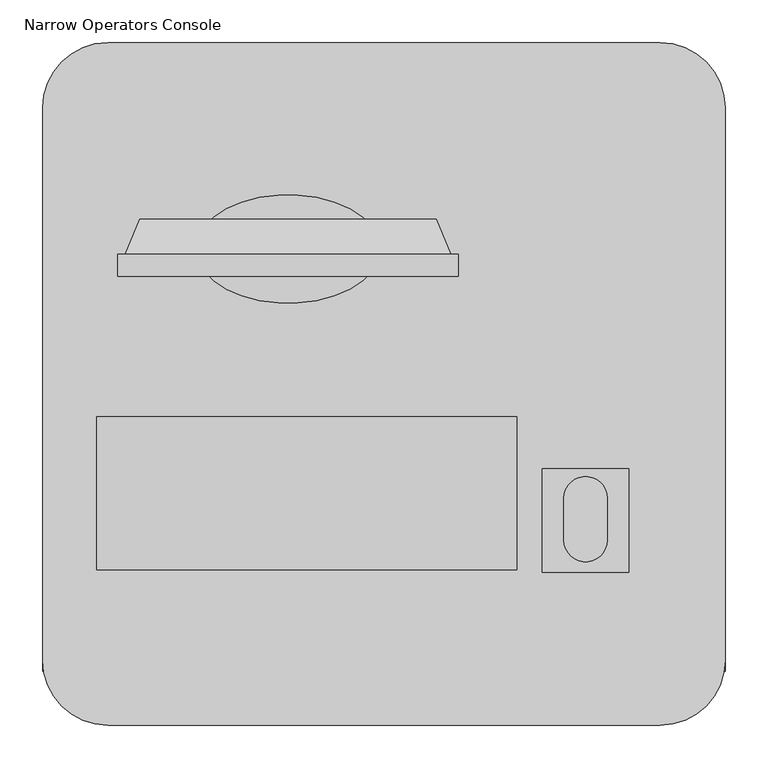
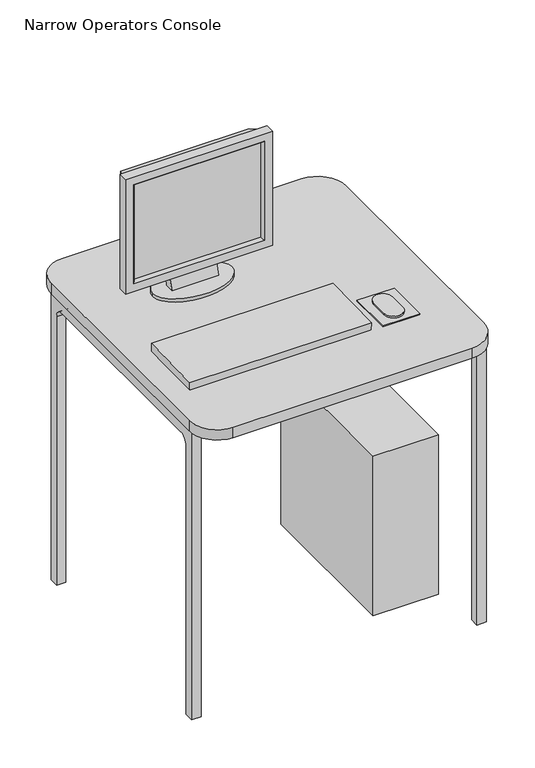
"""IFC4 building model written with IfcOpenShell, lengths in millimetres: proxy geometry, Narrow Operators Console."""

from ifc_helpers import new_model, si_unit, point, frame, frame_2d, origin, origin_with_axes, place, context, project, spatial, polyline, circle_curve, ellipse_curve, trimmed, segment, composite_curve, outline, extrude, source, transform, mapped, element, save
from ifc_brep_helpers import plane_surface, cylinder_surface, revolved_surface, extruded_surface, advanced_brep


def narrow_operators_console_eeff0510(model_context):
    return source(origin(), model_context, "Body", "SolidModel", [
        advanced_brep(
        [(639.6456472, -359.3255132, 1210.8057176), (656.5910694, -400.6005132, 1227.7511397), (656.5910694, -400.6005132, 916.9583272), (639.6456472, -359.3255132, 933.9037493), (274.6782569, -400.6005132, 916.9583272), (291.623679, -359.3255132, 933.9037493), (529.1346631, -388.7986414, 922.2203286), (529.1346631, -374.4228391, 928.1733783), (402.1346631, -374.4228391, 928.1733783), (402.1346631, -388.7986414, 922.2203286), (274.6782569, -400.6005132, 1227.7511397), (291.623679, -359.3255132, 1210.8057176), (529.1346631, -408.679443, 859.5595549), (529.1346631, -383.1699613, 859.5595549), (402.1346631, -383.1699613, 859.5595549), (402.1346631, -408.679443, 859.5595549), (357.6846631, -394.2505132, 859.5595549), (573.5846631, -394.2505132, 859.5595549), (357.6846631, -394.2505132, 850.0345549), (573.5846631, -394.2505132, 850.0345549)],
        [
            (0, 1, ellipse_curve(frame((1139.198243, -178.3505132, 1710.3583134), z_axis=(-0.7071067811865475, 0.0, 0.7071067811865475), x_axis=(-0.7071067811865474, 0.0, -0.7071067811865476)), 751.4050127, 531.3235799)),
            (1, 2),
            (2, 3, ellipse_curve(frame((1139.198243, -178.3505132, 434.3511536), z_axis=(-0.7071067811865475, 0.0, -0.7071067811865475), x_axis=(0.7071067811865474, 0.0, -0.7071067811865476)), 751.4050127, 531.3235799)),
            (3, 0),
            (2, 4),
            (4, 5, ellipse_curve(frame((-207.9289168, -178.3505132, 434.3511536), z_axis=(-0.7071067811865475, 0.0, 0.7071067811865475), x_axis=(-0.7071067811865476, 0.0, -0.7071067811865474)), 751.4050127, 531.3235799)),
            (5, 3),
            (6, 7, circle_curve(frame((529.1346631, -178.3505132, 434.3511536), z_axis=(-1.0, 0.0, 0.0), x_axis=(0.0, -1.0, 0.0)), 531.3235799)),
            (7, 8),
            (8, 9, circle_curve(frame((402.1346631, -178.3505132, 434.3511536), z_axis=(1.0, 0.0, 0.0), x_axis=(0.0, -1.0, 0.0)), 531.3235799)),
            (9, 6),
            (4, 10),
            (10, 11, ellipse_curve(frame((-207.9289168, -178.3505132, 1710.3583134), z_axis=(0.7071067811865476, 0.0, 0.7071067811865475), x_axis=(-0.7071067811865475, 0.0, 0.7071067811865476)), 751.4050127, 531.3235799)),
            (11, 5),
            (0, 11),
            (10, 1),
            (6, 12, circle_curve(frame((529.1346631, -745.5883925, 1000.9371486), z_axis=(-1.0, 0.0, 0.0), x_axis=(0.0, -1.0, 0.0)), 365.3700374)),
            (12, 13),
            (13, 7, circle_curve(frame((529.1346631, -1116.0209461, 987.850344), z_axis=(1.0, 0.0, 0.0), x_axis=(0.0, -1.0, 0.0)), 743.9953579)),
            (8, 14, circle_curve(frame((402.1346631, -1116.0209461, 987.850344), z_axis=(-1.0, 0.0, 0.0), x_axis=(0.0, -1.0, 0.0)), 743.9953579)),
            (14, 15),
            (15, 9, circle_curve(frame((402.1346631, -745.5883925, 1000.9371486), z_axis=(1.0, 0.0, 0.0), x_axis=(0.0, -1.0, 0.0)), 365.3700374)),
            (15, 12),
            (13, 14),
            (16, 17, ellipse_curve(frame((465.6346631, -394.2505132, 859.5595549), z_axis=(0.0, 0.0, 1.0), x_axis=(1.0, 0.0, 0.0)), 107.95, 63.5)),
            (17, 16, ellipse_curve(frame((465.6346631, -394.2505132, 859.5595549), z_axis=(0.0, 0.0, 1.0), x_axis=(1.0, 0.0, 0.0)), 107.95, 63.5)),
            (18, 19, ellipse_curve(frame((465.6346631, -394.2505132, 850.0345549), z_axis=(0.0, 0.0, -1.0), x_axis=(1.0, 0.0, 0.0)), 107.95, 63.5)),
            (19, 18, ellipse_curve(frame((465.6346631, -394.2505132, 850.0345549), z_axis=(0.0, 0.0, -1.0), x_axis=(1.0, 0.0, 0.0)), 107.95, 63.5)),
            (16, 18),
            (19, 17),
        ],
        [
            revolved_surface(polyline([(1139.198243, -709.6740931, -96.97242629773405), (1139.198243, -709.6740931, 2241.681893297734)]), (1139.198243, -178.3505132, 1227.7511397), (0.0, 0.0, -1.0)),
            revolved_surface(polyline([(-739.2524966977338, -709.6740931, 434.3511536), (1670.5218228977337, -709.6740931, 434.3511536)]), (656.5910694, -178.3505132, 434.3511536), (-1.0, 0.0, 0.0)),
            revolved_surface(polyline([(-207.9289168, -709.6740931, 2241.681893297734), (-207.9289168, -709.6740931, -96.97242629773382)]), (-207.9289168, -178.3505132, 916.9583272), (0.0, 0.0, 1.0)),
            revolved_surface(polyline([(1670.521822897734, -709.6740931, 1710.3583134), (-739.2524966977337, -709.6740931, 1710.3583134)]), (274.6782569, -178.3505132, 1710.3583134), (1.0, 0.0, 0.0)),
            plane_surface(frame((291.623679, -359.3255132, 1210.8057176), z_axis=(0.0, 1.0, 0.0), x_axis=(1.0, 0.0, 0.0))),
            plane_surface(frame((336.0946631, -400.6005132, 1166.3347335), z_axis=(0.0, -1.0, 0.0), x_axis=(1.0, 0.0, 0.0))),
            plane_surface(frame((529.1346631, -1110.9584299, 1000.9371486), z_axis=(1.0, 0.0, 0.0), x_axis=(0.0, 0.0, 1.0))),
            plane_surface(frame((402.1346631, -1110.9584299, 1000.9371486), z_axis=(-1.0, 0.0, 0.0), x_axis=(0.0, 0.0, -1.0))),
            revolved_surface(polyline([(402.1346631, -1110.9584299, 1000.9371486), (529.1346631, -1110.9584299, 1000.9371486)]), (402.1346631, -745.5883925, 1000.9371486), (-1.0, 0.0, 0.0)),
            cylinder_surface(frame((402.1346631, -1116.0209461, 987.850344), z_axis=(1.0, 0.0, 0.0), x_axis=(0.0, -1.0, 0.0)), 743.9953579),
            plane_surface(frame((573.5846631, -394.2505132, 859.5595549), z_axis=(0.0, 0.0, 1.0), x_axis=(0.0, 1.0, 0.0))),
            plane_surface(frame((573.5846631, -394.2505132, 850.0345549), z_axis=(0.0, 0.0, -1.0), x_axis=(0.0, -1.0, 0.0))),
            extruded_surface(trimmed(ellipse_curve(frame((465.6346631, -394.2505132, 840.5095549), z_axis=(0.0, 0.0, 1.0), x_axis=(1.0, 0.0, 0.0)), 107.95, 63.5), [point((357.6846631, -394.2505132, 840.5095549))], [point((573.5846631, -394.2505132, 840.5095549))], True, "CARTESIAN"), (0.0, 0.0, 9.524999999999977), 9.524999999999977),
            extruded_surface(trimmed(ellipse_curve(frame((465.6346631, -394.2505132, 840.5095549), z_axis=(0.0, 0.0, 1.0), x_axis=(1.0, 0.0, 0.0)), 107.95, 63.5), [point((573.5846631, -394.2505132, 840.5095549))], [point((357.6846631, -394.2505132, 840.5095549))], True, "CARTESIAN"), (0.0, 0.0, 9.524999999999977), 9.524999999999977),
        ],
        [
            (0, [[1, 2, 3, 4]]),
            (1, [[-3, 5, 6, 7], [8, 9, 10, 11]]),
            (2, [[-6, 12, 13, 14]]),
            (3, [[-1, 15, -13, 16]]),
            (4, [[-4, -7, -14, -15]]),
            (5, [[-2, -16, -12, -5]]),
            (6, [[-8, 17, 18, 19]]),
            (7, [[-10, 20, 21, 22]]),
            (8, [[-11, -22, 23, -17]]),
            (9, [[-9, -19, 24, -20]]),
            (10, [[25, 26], [-18, -23, -21, -24]]),
            (11, [[27, 28]]),
            (12, [[-25, 29, -28, 30]]),
            (13, [[-26, -30, -27, -29]]),
        ],
    ),
        advanced_brep(
        [(266.2446631, -426.0005132, 908.5247335), (266.2446631, -400.6005132, 908.5247335), (665.0246631, -400.6005132, 908.5247335), (665.0246631, -426.0005132, 908.5247335), (292.9359687, -416.5078092, 935.2160391), (288.1521631, -426.0005132, 930.4322335), (643.1171631, -426.0005132, 930.4322335), (638.3333575, -416.5078092, 935.2160391), (292.9359687, -400.6005132, 935.2160391), (638.3333575, -400.6005132, 935.2160391), (665.0246631, -400.6005132, 1236.1847335), (665.0246631, -426.0005132, 1236.1847335), (643.1171631, -426.0005132, 1214.2772335), (638.3333575, -416.5078092, 1209.4934279), (638.3333575, -400.6005132, 1209.4934279), (266.2446631, -400.6005132, 1236.1847335), (266.2446631, -426.0005132, 1236.1847335), (288.1521631, -426.0005132, 1214.2772335), (292.9359687, -416.5078092, 1209.4934279), (292.9359687, -400.6005132, 1209.4934279)],
        [
            (0, 1),
            (1, 2),
            (2, 3),
            (3, 0),
            (4, 5, ellipse_curve(frame((280.178936, -416.0307005, 922.4590064), z_axis=(0.7071067811865475, 0.0, -0.7071067811865475), x_axis=(-0.7071067811865476, 0.0, -0.7071067811865474)), 18.0537817, 12.7659514)),
            (5, 6),
            (6, 7, ellipse_curve(frame((651.0903902, -416.0307005, 922.4590064), z_axis=(-0.7071067811865475, 0.0, -0.7071067811865475), x_axis=(-0.7071067811865476, 0.0, 0.7071067811865474)), 18.0537817, 12.7659514)),
            (7, 4),
            (8, 4),
            (7, 9),
            (9, 8),
            (2, 10),
            (10, 11),
            (11, 3),
            (6, 12),
            (12, 13, ellipse_curve(frame((651.0903902, -416.0307005, 1222.2504606), z_axis=(0.7071067811865475, 0.0, -0.7071067811865475), x_axis=(-0.7071067811865474, 0.0, -0.7071067811865476)), 18.0537817, 12.7659514)),
            (13, 7),
            (13, 14),
            (14, 9),
            (10, 15),
            (15, 16),
            (16, 11),
            (12, 17),
            (17, 18, ellipse_curve(frame((280.178936, -416.0307005, 1222.2504606), z_axis=(0.7071067811865475, 0.0, 0.7071067811865475), x_axis=(0.7071067811865476, 0.0, -0.7071067811865474)), 18.0537817, 12.7659514)),
            (18, 13),
            (18, 19),
            (19, 14),
            (1, 15),
            (19, 8),
            (0, 16),
            (5, 17),
            (4, 18),
        ],
        [
            plane_surface(frame((266.2446631, -400.6005132, 908.5247335), z_axis=(0.0, 0.0, -1.0), x_axis=(1.0, 0.0, 0.0))),
            cylinder_surface(frame((266.2446631, -416.0307005, 922.4590064), z_axis=(-1.0, 0.0, 0.0), x_axis=(0.0, 0.0, 1.0)), 12.7659514),
            plane_surface(frame((292.9359687, -416.5078092, 935.2160391), z_axis=(0.0, 0.0, 1.0), x_axis=(1.0, 0.0, 0.0))),
            plane_surface(frame((665.0246631, -400.6005132, 908.5247335), z_axis=(1.0, 0.0, 0.0), x_axis=(0.0, 0.0, 1.0))),
            cylinder_surface(frame((651.0903902, -416.0307005, 908.5247335), z_axis=(0.0, 0.0, -1.0), x_axis=(-1.0, 0.0, 0.0)), 12.7659514),
            plane_surface(frame((638.3333575, -416.5078092, 935.2160391), z_axis=(-1.0, 0.0, 0.0), x_axis=(0.0, 0.0, 1.0))),
            plane_surface(frame((665.0246631, -400.6005132, 1236.1847335), z_axis=(0.0, 0.0, 1.0), x_axis=(-1.0, 0.0, 0.0))),
            cylinder_surface(frame((665.0246631, -416.0307005, 1222.2504606), z_axis=(1.0, 0.0, 0.0), x_axis=(0.0, 0.0, -1.0)), 12.7659514),
            plane_surface(frame((638.3333575, -416.5078092, 1209.4934279), z_axis=(0.0, 0.0, -1.0), x_axis=(-1.0, 0.0, 0.0))),
            plane_surface(frame((292.9359687, -400.6005132, 1209.4934279), z_axis=(0.0, 1.0, 0.0), x_axis=(0.0, 0.0, -1.0))),
            plane_surface(frame((266.2446631, -400.6005132, 1236.1847335), z_axis=(-1.0, 0.0, 0.0), x_axis=(0.0, 0.0, -1.0))),
            plane_surface(frame((266.2446631, -426.0005132, 1236.1847335), z_axis=(0.0, -1.0, 0.0), x_axis=(0.0, 0.0, -1.0))),
            cylinder_surface(frame((280.178936, -416.0307005, 1236.1847335), z_axis=(0.0, 0.0, 1.0), x_axis=(1.0, 0.0, 0.0)), 12.7659514),
            plane_surface(frame((292.9359687, -416.5078092, 1209.4934279), z_axis=(1.0, 0.0, 0.0), x_axis=(0.0, 0.0, -1.0))),
        ],
        [
            (0, [[1, 2, 3, 4]]),
            (1, [[5, 6, 7, 8]]),
            (2, [[9, -8, 10, 11]]),
            (3, [[-3, 12, 13, 14]]),
            (4, [[-7, 15, 16, 17]]),
            (5, [[-10, -17, 18, 19]]),
            (6, [[-13, 20, 21, 22]]),
            (7, [[-16, 23, 24, 25]]),
            (8, [[-18, -25, 26, 27]]),
            (9, [[28, -20, -12, -2], [-19, -27, 29, -11]]),
            (10, [[-21, -28, -1, 30]]),
            (11, [[-14, -22, -30, -4], [31, -23, -15, -6]]),
            (12, [[-24, -31, -5, 32]]),
            (13, [[-26, -32, -9, -29]]),
        ],
    ),
        extrude(outline(polyline([(638.3333575, -416.5078092), (292.9359687, -416.5078092), (292.9359687, -400.6005132), (638.3333575, -400.6005132), (638.3333575, -416.5078092)])), frame((0.0, 0.0, 935.2160391), z_axis=(0.0, 0.0, 1.0), x_axis=(1.0, 0.0, 0.0)), (0.0, 0.0, 1.0), 274.2773888),
        extrude(outline(composite_curve([segment(trimmed(circle_curve(frame_2d((254.2021617, -876.3)), 76.2), [point((254.2021617, -952.5))], [point((178.0021617, -876.3))], False, "CARTESIAN"), True, "CONTINUOUS"), segment(polyline([(178.0021617, -876.3), (178.0021617, -228.6)]), True, "CONTINUOUS"), segment(trimmed(circle_curve(frame_2d((254.2021617, -228.6)), 76.2), [point((178.0021617, -228.6))], [point((254.2021617, -152.4))], False, "CARTESIAN"), True, "CONTINUOUS"), segment(polyline([(254.2021617, -152.4), (901.9021617, -152.4)]), True, "CONTINUOUS"), segment(trimmed(circle_curve(frame_2d((901.9021617, -228.6)), 76.2), [point((901.9021617, -152.4))], [point((978.1021617, -228.6))], False, "CARTESIAN"), True, "CONTINUOUS"), segment(polyline([(978.1021617, -228.6), (978.1021617, -876.3)]), True, "CONTINUOUS"), segment(trimmed(circle_curve(frame_2d((901.9021617, -876.3)), 76.2), [point((978.1021617, -876.3))], [point((901.9021617, -952.5))], False, "CARTESIAN"), True, "CONTINUOUS"), segment(polyline([(901.9021617, -952.5), (254.2021617, -952.5)]), True, "CONTINUOUS")], self_intersect=False)), frame((0.0, 0.0, 820.42), z_axis=(0.0, 0.0, 1.0), x_axis=(1.0, 0.0, 0.0)), (0.0, 0.0, 1.0), 29.6145549),
        extrude(outline(polyline([(937.7537813, -302.3181125), (937.7537813, -734.1181125), (759.9537813, -734.1181125), (759.9537813, -302.3181125), (937.7537813, -302.3181125)])), origin_with_axes(), (0.0, 0.0, 1.0), 457.2),
        extrude(outline(composite_curve([segment(polyline([(-228.6, 820.42), (-228.6, 0.0), (-254.0, 0.0), (-254.0, 769.62)]), True, "CONTINUOUS"), segment(trimmed(circle_curve(frame_2d((-279.4, 769.62)), 25.4), [point((-254.0, 769.62))], [point((-279.4, 795.02))], True, "CARTESIAN"), True, "CONTINUOUS"), segment(polyline([(-279.4, 795.02), (-838.3247, 795.02)]), True, "CONTINUOUS"), segment(trimmed(circle_curve(frame_2d((-838.3247, 769.62)), 25.4), [point((-838.3247, 795.02))], [point((-863.7247, 769.62))], True, "CARTESIAN"), True, "CONTINUOUS"), segment(polyline([(-863.7247, 769.62), (-863.7247, 0.0), (-889.1247, 0.0), (-889.1247, 820.42), (-228.6, 820.42)]), True, "CONTINUOUS")], self_intersect=False)), frame((178.0021617, 0.0, 0.0), z_axis=(1.0, 0.0, 0.0), x_axis=(0.0, 1.0, 0.0)), (0.0, 0.0, 1.0), 25.4),
        extrude(outline(composite_curve([segment(trimmed(circle_curve(frame_2d((814.4772863, -735.4237433)), 25.4), [point((839.8772863, -735.4237433))], [point((789.0772863, -735.4237433))], False, "CARTESIAN"), True, "CONTINUOUS"), segment(polyline([(789.0772863, -735.4237433), (789.0772863, -686.3075037)]), True, "CONTINUOUS"), segment(trimmed(circle_curve(frame_2d((814.4772863, -686.3075037)), 25.4), [point((789.0772863, -686.3075037))], [point((839.8772863, -686.3075037))], False, "CARTESIAN"), True, "CONTINUOUS"), segment(polyline([(839.8772863, -686.3075037), (839.8772863, -735.4237433)]), True, "CONTINUOUS")], self_intersect=False)), frame((0.0, 0.0, 853.0398703), z_axis=(0.0, 0.0, 1.0), x_axis=(1.0, 0.0, 0.0)), (0.0, 0.0, 1.0), 4.6445578),
        extrude(outline(polyline([(864.8150891, -651.8761639), (864.8150891, -772.9122926), (763.7782797, -772.9122926), (763.7782797, -651.8761639), (864.8150891, -651.8761639)])), frame((0.0, 0.0, 847.1754789), z_axis=(0.0, 0.0, 1.0), x_axis=(1.0, 0.0, 0.0)), (0.0, 0.0, 1.0), 5.8643915),
        extrude(outline(polyline([(556.5913043, 0.0), (556.5913043, -179.556892), (64.2033836, -179.556892), (64.2033836, 0.0), (556.5913043, 0.0)])), frame((177.3031016, -590.3493914, 852.6135825), z_axis=(0.0, -0.023626480133413532, 0.9997208557574987), x_axis=(1.0, 0.0, 0.0)), (0.0, 0.0, 1.0), 23.0517179),
        extrude(outline(composite_curve([segment(polyline([(-228.6, 820.42), (-228.6, 0.0), (-254.0, 0.0), (-254.0, 769.62)]), True, "CONTINUOUS"), segment(trimmed(circle_curve(frame_2d((-279.4, 769.62)), 25.4), [point((-254.0, 769.62))], [point((-279.4, 795.02))], True, "CARTESIAN"), True, "CONTINUOUS"), segment(polyline([(-279.4, 795.02), (-838.3247, 795.02)]), True, "CONTINUOUS"), segment(trimmed(circle_curve(frame_2d((-838.3247, 769.62)), 25.4), [point((-838.3247, 795.02))], [point((-863.7247, 769.62))], True, "CARTESIAN"), True, "CONTINUOUS"), segment(polyline([(-863.7247, 769.62), (-863.7247, 0.0), (-889.1247, 0.0), (-889.1247, 820.42), (-228.6, 820.42)]), True, "CONTINUOUS")], self_intersect=False)), frame((952.7021617, 0.0, 0.0), z_axis=(1.0, 0.0, 0.0), x_axis=(0.0, 1.0, 0.0)), (0.0, 0.0, 1.0), 25.4),
    ])


if __name__ == "__main__":
    model = new_model("IFC4")
    model_context = context("Model", 3, world=origin())
    ifc_project = project(units=[si_unit("LENGTHUNIT", "METRE", prefix="MILLI")], contexts=[model_context])
    site = spatial("IfcSite", under=ifc_project)
    building = spatial("IfcBuilding", under=site)
    placement = place(None, origin())
    narrow_operators_console_shape = narrow_operators_console_eeff0510(model_context)
    element("IfcBuildingElementProxy", 1, Name="Narrow Operators Console", ObjectType="Narrow Operators Console", at=placement, inside=building, context=model_context, shape_type="MappedRepresentation", body=[
        mapped(narrow_operators_console_shape, transform((0.0, 0.0, 0.0), x_axis=(1.0, 0.0, 0.0), y_axis=(0.0, 1.0, 0.0), z_axis=(0.0, 0.0, 1.0))),
    ])
    save(model, "model.ifc")
